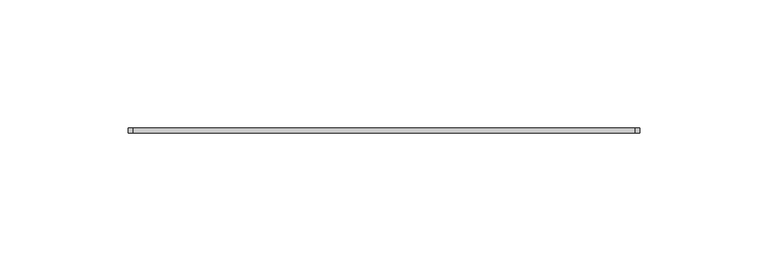
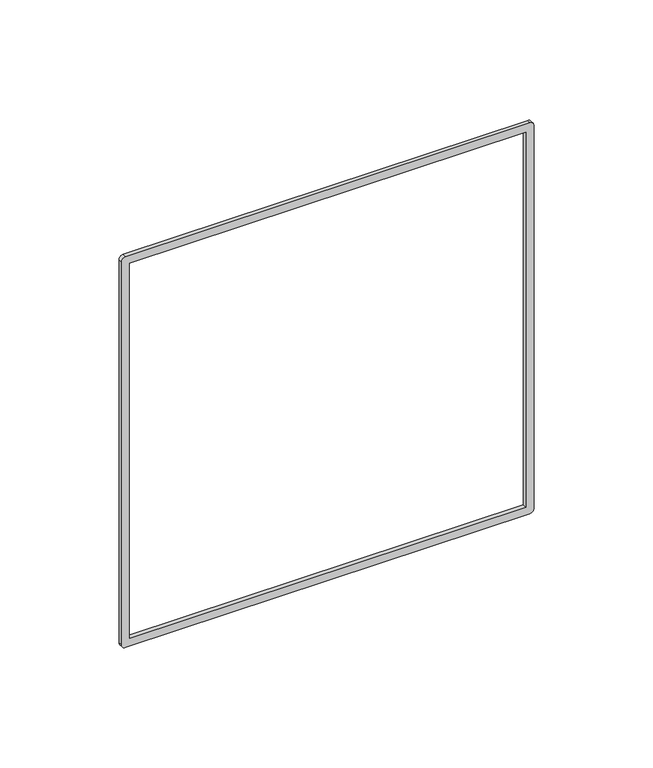
"""IFC4 building model written with IfcOpenShell, lengths in millimetres: proxy geometry."""

from ifc_helpers import new_model, si_unit, point, frame, frame_2d, origin, place, context, project, spatial, polyline, circle_curve, trimmed, segment, composite_curve, outline, extrude, source, transform, mapped, element, save


def specialty_equipment_359eb5cd(model_context):
    return source(origin(), model_context, "Body", "SweptSolid", [
        extrude(outline(composite_curve([segment(polyline([(100.0669653, 97.9975513), (100.0669653, -97.9975513)]), True, "CONTINUOUS"), segment(trimmed(circle_curve(frame_2d((98.0669653, -97.9975513)), 2.0), [point((100.0669653, -97.9975513))], [point((98.0669653, -99.9975513))], False, "CARTESIAN"), True, "CONTINUOUS"), segment(polyline([(98.0669653, -99.9975513), (-98.0669653, -99.9975513)]), True, "CONTINUOUS"), segment(trimmed(circle_curve(frame_2d((-98.0669653, -97.9975513)), 2.0), [point((-98.0669653, -99.9975513))], [point((-100.0669653, -97.9975513))], False, "CARTESIAN"), True, "CONTINUOUS"), segment(polyline([(-100.0669653, -97.9975513), (-100.0669653, 97.9975513)]), True, "CONTINUOUS"), segment(trimmed(circle_curve(frame_2d((-98.0669653, 97.9975513)), 2.0), [point((-100.0669653, 97.9975513))], [point((-98.0669653, 99.9975513))], False, "CARTESIAN"), True, "CONTINUOUS"), segment(polyline([(-98.0669653, 99.9975513), (98.0669653, 99.9975513)]), True, "CONTINUOUS"), segment(trimmed(circle_curve(frame_2d((98.0669653, 97.9975513)), 2.0), [point((98.0669653, 99.9975513))], [point((100.0669653, 97.9975513))], False, "CARTESIAN"), True, "CONTINUOUS")], self_intersect=False), holes=[polyline([(-96.0669653, -95.9975513), (96.0669653, -95.9975513), (96.0669653, 95.9975513), (-96.0669653, 95.9975513), (-96.0669653, -95.9975513)])]), frame((0.0, -2.0, 0.0), z_axis=(0.0, 1.0, 0.0), x_axis=(0.0, 0.0, 1.0)), (0.0, 0.0, 1.0), 2.0),
    ])


if __name__ == "__main__":
    model = new_model("IFC4")
    model_context = context("Model", 3, world=origin())
    ifc_project = project(units=[si_unit("LENGTHUNIT", "METRE", prefix="MILLI")], contexts=[model_context])
    site = spatial("IfcSite", under=ifc_project)
    building = spatial("IfcBuilding", under=site)
    placement = place(None, origin())
    specialty_equipment_shape = specialty_equipment_359eb5cd(model_context)
    element("IfcBuildingElementProxy", 1, Name="Specialty Equipment", at=placement, inside=building, context=model_context, shape_type="MappedRepresentation", body=[
        mapped(specialty_equipment_shape, transform((0.0, 0.0, 0.0), x_axis=(1.0, 0.0, 0.0), y_axis=(0.0, 1.0, 0.0), z_axis=(0.0, 0.0, 1.0))),
    ])
    save(model, "model.ifc")
